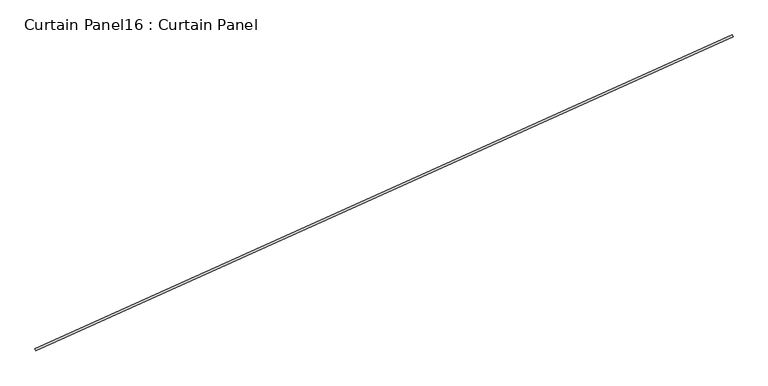
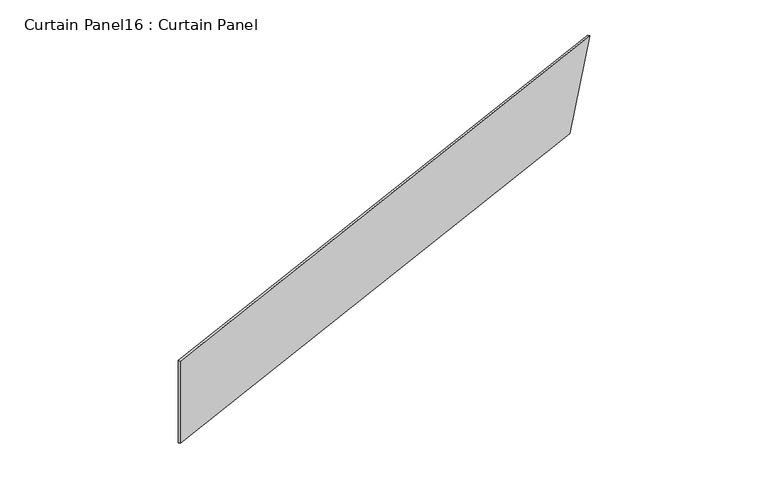
"""IFC4 building model written with IfcOpenShell, lengths in millimetres: plate geometry, Curtain Panel16 : Curtain Panel."""

from ifc_helpers import new_model, si_unit, frame, origin, place, context, project, spatial, polyline, outline, extrude, source, transform, mapped, element, save


def curtain_panel16_curtain_panel_fab4ac50(model_context):
    return source(origin(), model_context, "Body", "SweptSolid", [
        extrude(outline(polyline([(0.0, 0.0), (0.0, -8086.2457914), (-1219.2, -8497.8159308), (-1219.2, 0.0), (0.0, 0.0)])), frame((36557.5770857, -12836.3437505, 21945.6), z_axis=(-0.4102319712783583, 0.9119812112873117, 0.0), x_axis=(0.0, 0.0, -1.0)), (0.0, 0.0, 1.0), 25.4),
    ])


if __name__ == "__main__":
    model = new_model("IFC4")
    model_context = context("Model", 3, world=origin())
    ifc_project = project(units=[si_unit("LENGTHUNIT", "METRE", prefix="MILLI")], contexts=[model_context])
    site = spatial("IfcSite", under=ifc_project)
    building = spatial("IfcBuilding", under=site)
    placement = place(None, origin())
    curtain_panel16_curtain_panel_shape = curtain_panel16_curtain_panel_fab4ac50(model_context)
    element("IfcPlate", 1, ObjectType="Curtain Panel16 : Curtain Panel", at=placement, inside=building, context=model_context, shape_type="MappedRepresentation", body=[
        mapped(curtain_panel16_curtain_panel_shape, transform((0.0, 0.0, 0.0), x_axis=(1.0, 0.0, 0.0), y_axis=(0.0, 1.0, 0.0), z_axis=(0.0, 0.0, 1.0))),
    ])
    save(model, "model.ifc")
